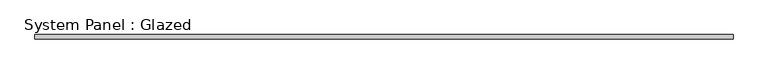
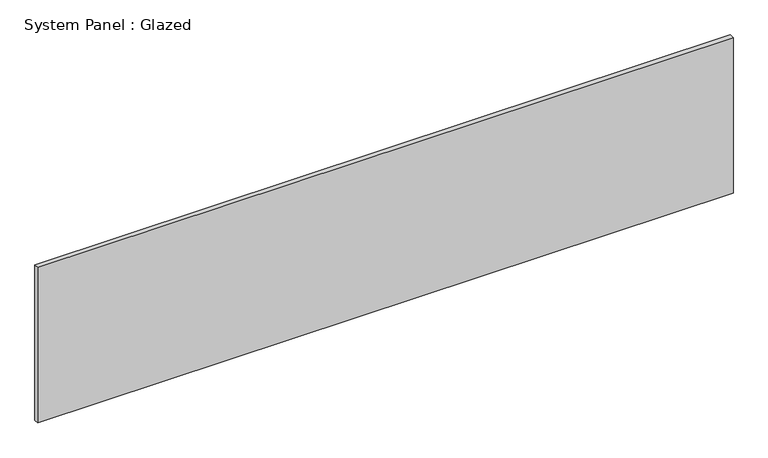
"""IFC4 building model written with IfcOpenShell, lengths in millimetres: plate geometry, System Panel : Glazed."""

from ifc_helpers import new_model, si_unit, origin, origin_with_axes, place, context, project, spatial, polyline, outline, extrude, source, transform, mapped, element, save


def system_panel_glazed_1dcd7afc(model_context):
    return source(origin(), model_context, "Body", "SweptSolid", [
        extrude(outline(polyline([(1902.6385932, 24.5), (-1902.6385932, 24.5), (-1902.6385932, 49.5), (1902.6385932, 49.5), (1902.6385932, 24.5)])), origin_with_axes(), (0.0, 0.0, 1.0), 900.0),
    ])


if __name__ == "__main__":
    model = new_model("IFC4")
    model_context = context("Model", 3, world=origin())
    ifc_project = project(units=[si_unit("LENGTHUNIT", "METRE", prefix="MILLI")], contexts=[model_context])
    site = spatial("IfcSite", under=ifc_project)
    building = spatial("IfcBuilding", under=site)
    placement = place(None, origin())
    system_panel_glazed_shape = system_panel_glazed_1dcd7afc(model_context)
    element("IfcPlate", 1, ObjectType="System Panel : Glazed", at=placement, inside=building, context=model_context, shape_type="MappedRepresentation", body=[
        mapped(system_panel_glazed_shape, transform((0.0, 0.0, 0.0), x_axis=(1.0, 0.0, 0.0), y_axis=(0.0, 1.0, 0.0), z_axis=(0.0, 0.0, 1.0))),
    ])
    save(model, "model.ifc")
